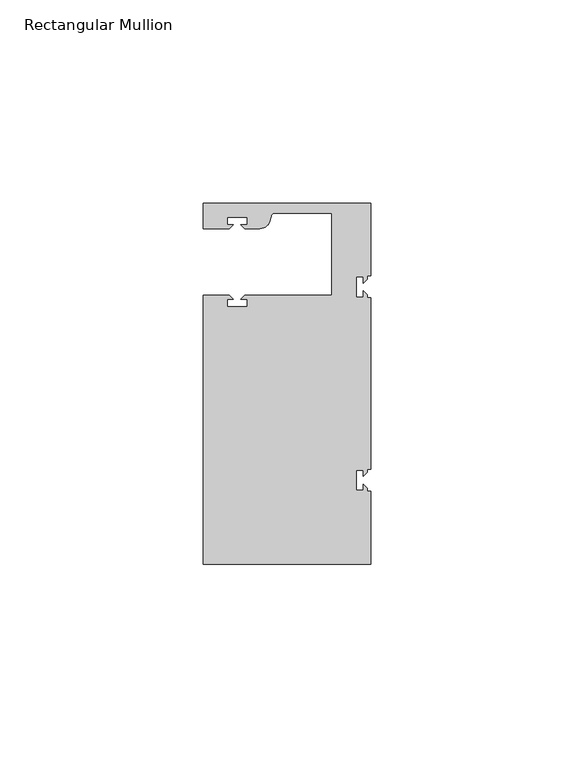
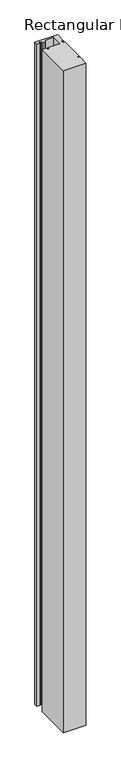
"""IFC4 building model written with IfcOpenShell, lengths in millimetres: member geometry, Rectangular Mullion."""

from ifc_helpers import new_model, si_unit, point, frame, frame_2d, origin, place, context, project, spatial, polyline, circle_curve, trimmed, segment, composite_curve, outline, extrude, source, transform, mapped, element, save


def rectangular_mullion_9afb619e(model_context):
    return source(origin(), model_context, "Body", "SweptSolid", [
        extrude(outline(composite_curve([segment(polyline([(0.0, 44.45), (0.0, 26.5319902), (-0.79375, 26.5319902), (-0.79375, 25.7382402), (-1.7937657, 24.7382245), (-1.7937657, 26.3124974), (-3.5938131, 26.3124974), (-3.5938131, 21.3125026), (-1.7937657, 21.3125026), (-1.7937657, 22.88674), (-0.79375, 21.8867243), (-0.79375, 21.0930098), (0.0, 21.0930098), (0.0, -21.0930098), (-0.79375, -21.0930098), (-0.79375, -21.8867598), (-1.7937657, -22.8867755), (-1.7937657, -21.3125026), (-3.5938131, -21.3125026), (-3.5938131, -26.3124974), (-1.7937657, -26.3124974), (-1.7937657, -24.73826), (-0.79375, -25.7382757), (-0.79375, -26.5319902), (0.0, -26.5319902), (0.0, -44.45), (-41.275, -44.45), (-41.275, 21.749999), (-34.8007562, 21.749999), (-33.8007405, 20.7499834), (-35.3750134, 20.7499834), (-35.3750134, 18.949936), (-30.3750186, 18.949936), (-30.3750186, 20.7499834), (-31.949256, 20.7499834), (-30.9492434, 21.7499959), (-9.525, 21.7499959), (-9.525, 41.95), (-23.5599329, 41.95)]), True, "CONTINUOUS"), segment(trimmed(circle_curve(frame_2d((-23.5599329, 40.9500001)), 1.0), [point((-23.5599329, 41.95))], [point((-24.5258588, 41.2088192))], True, "CARTESIAN"), True, "CONTINUOUS"), segment(polyline([(-24.5258588, 41.2088192), (-24.8489707, 40.002949)]), True, "CONTINUOUS"), segment(trimmed(circle_curve(frame_2d((-27.2637853, 40.6499966)), 2.5), [point((-24.8489707, 40.002949))], [point((-27.2637853, 38.1499966))], False, "CARTESIAN"), True, "CONTINUOUS"), segment(polyline([(-27.2637853, 38.1499966), (-30.9492503, 38.1499966), (-31.949256, 39.1500023), (-30.3749831, 39.1500023), (-30.3749831, 40.9498819), (-35.3749778, 40.9498819), (-35.3749778, 39.1500023), (-33.8007405, 39.1500023), (-34.8007531, 38.1499897), (-41.2749977, 38.1499897), (-41.2749977, 44.45), (0.0, 44.45)]), True, "CONTINUOUS")], self_intersect=False)), frame((0.0, 0.0, -1270.0), z_axis=(0.0, 0.0, 1.0), x_axis=(1.0, 0.0, 0.0)), (0.0, 0.0, 1.0), 1270.0),
    ])


if __name__ == "__main__":
    model = new_model("IFC4")
    model_context = context("Model", 3, world=origin())
    ifc_project = project(units=[si_unit("LENGTHUNIT", "METRE", prefix="MILLI")], contexts=[model_context])
    site = spatial("IfcSite", under=ifc_project)
    building = spatial("IfcBuilding", under=site)
    placement = place(None, origin())
    rectangular_mullion_shape = rectangular_mullion_9afb619e(model_context)
    element("IfcMember", 1, ObjectType="Rectangular Mullion", at=placement, inside=building, context=model_context, shape_type="MappedRepresentation", body=[
        mapped(rectangular_mullion_shape, transform((0.0, 0.0, 0.0), x_axis=(1.0, 0.0, 0.0), y_axis=(0.0, 1.0, 0.0), z_axis=(0.0, 0.0, 1.0))),
    ])
    save(model, "model.ifc")
